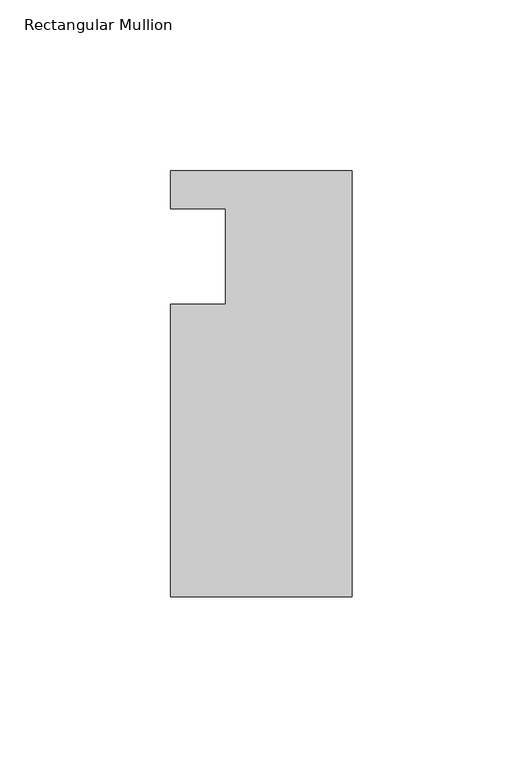
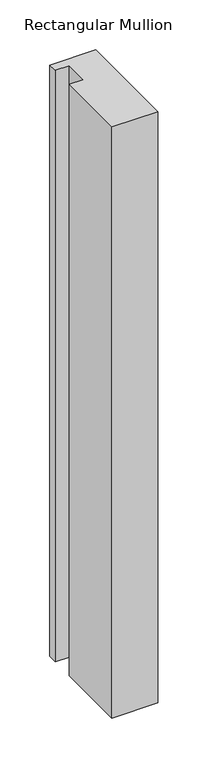
"""IFC4 building model written with IfcOpenShell, lengths in millimetres: member geometry, Rectangular Mullion."""

from ifc_helpers import new_model, si_unit, frame, origin, place, context, project, spatial, polyline, outline, extrude, source, transform, mapped, element, save


def rectangular_mullion_4323340d(model_context):
    return source(origin(), model_context, "Body", "SweptSolid", [
        extrude(outline(polyline([(-37.0, 13.9999453), (-53.0, 13.9999453), (-53.0, 24.9999453), (0.0, 24.9999453), (0.0, -99.5000547), (-53.0, -99.5000547), (-53.0, -14.0000547), (-37.0, -14.0000547), (-37.0, 13.9999453)])), frame((0.0, 0.0, -724.000019), z_axis=(0.0, 0.0, 1.0), x_axis=(1.0, 0.0, 0.0)), (0.0, 0.0, 1.0), 724.000019),
    ])


if __name__ == "__main__":
    model = new_model("IFC4")
    model_context = context("Model", 3, world=origin())
    ifc_project = project(units=[si_unit("LENGTHUNIT", "METRE", prefix="MILLI")], contexts=[model_context])
    site = spatial("IfcSite", under=ifc_project)
    building = spatial("IfcBuilding", under=site)
    placement = place(None, origin())
    rectangular_mullion_shape = rectangular_mullion_4323340d(model_context)
    element("IfcMember", 1, ObjectType="Rectangular Mullion", at=placement, inside=building, context=model_context, shape_type="MappedRepresentation", body=[
        mapped(rectangular_mullion_shape, transform((0.0, 0.0, 0.0), x_axis=(1.0, 0.0, 0.0), y_axis=(0.0, 1.0, 0.0), z_axis=(0.0, 0.0, 1.0))),
    ])
    save(model, "model.ifc")
